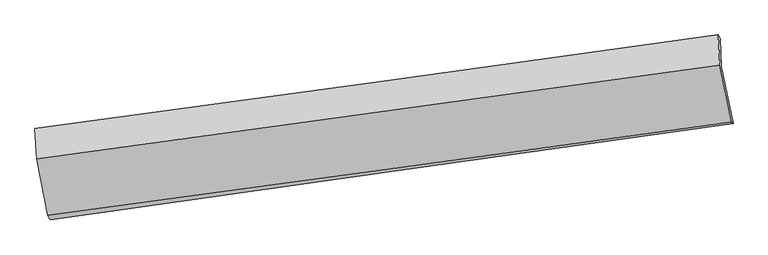
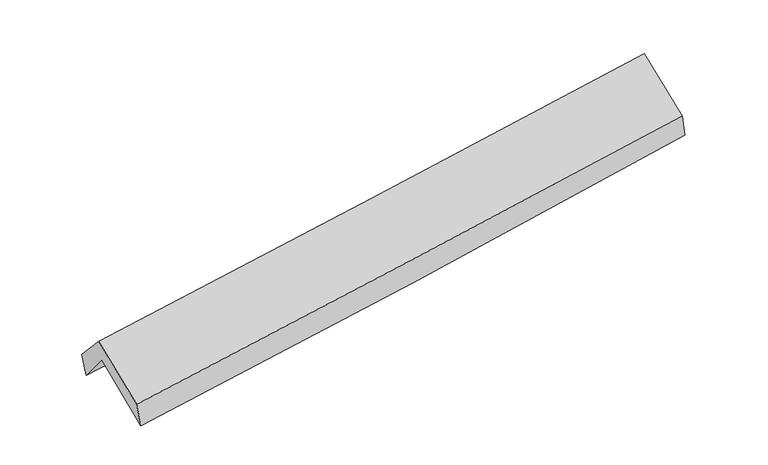
"""IFC4 building model written with IfcOpenShell, lengths in millimetres: proxy geometry."""

from ifc_helpers import new_model, si_unit, frame, origin, place, context, project, spatial, source, transform, mapped, element, save
from ifc_brep_helpers import plane_surface, spline_curve, spline_surface, advanced_brep


def generic_models_8dbf66de(model_context):
    return source(origin(), model_context, "Body", "AdvancedBrep", [
        advanced_brep(
        [(-2902.9699164, -2501.8410536, 1444.9294508), (-3005.1774337, -1994.973722, 1874.5010427), (2946.425243, -1164.2817487, 2376.4144937), (3047.6707544, -1663.1326548, 1945.0206634), (-3015.7772811, -1745.0420034, 1562.3764213), (2937.0400934, -920.6864099, 2059.7492363), (-3036.5457929, -1706.6109163, 1766.3443927), (2918.7038009, -887.9129311, 2241.9210804), (-3022.482123, -1972.4037397, 2061.5313121), (2932.3932179, -1151.7656851, 2538.5290214), (-2924.0210065, -2464.9601237, 1655.4190223), (3030.9494328, -1649.0122414, 2139.6407613)],
        [
            (0, 1),
            (1, 2, spline_curve(3, [(-3005.1774337, -1994.973722, 1874.5010427), (-2011.956273394, -1852.275754209, 1934.208659241), (-1019.404072166, -1711.705861903, 2005.88584376), (964.463623566, -1434.808103201, 2173.18788489), (1955.778980952, -1298.480671, 2268.815183722), (2946.425243, -1164.2817487, 2376.4144937)], [4, 2, 4], [0.0, 9.892296552486982, 19.785602507281695])),
            (2, 3),
            (3, 0, spline_curve(3, [(3047.6707544, -1663.1326548, 1945.0206634), (2057.188733762, -1800.778547688, 1841.488412684), (1066.035667808, -1939.497481222, 1748.046408166), (-917.511359367, -2219.067166169, 1581.351395916), (-1909.905183968, -2359.917699122, 1508.096329582), (-2902.9699164, -2501.8410536, 1444.9294508)], [4, 2, 4], [0.0, 9.893305954794712, 19.785602507281695])),
            (1, 4),
            (4, 5, spline_curve(3, [(-3015.7772811, -1745.0420034, 1562.3764213), (-2022.000420656, -1603.512097767, 1616.879080814), (-1029.069140699, -1464.054244521, 1685.575306467), (955.203490358, -1189.268623738, 1851.363348344), (1946.544668489, -1053.941279404, 1948.458060833), (2937.0400934, -920.6864099, 2059.7492363)], [4, 2, 4], [0.0, 9.892542137501659, 19.78609370237035])),
            (5, 2),
            (4, 6),
            (6, 7, spline_curve(3, [(-3036.5457929, -1706.6109163, 1766.3443927), (-2043.281887877, -1572.556123708, 1841.109091374), (-1050.404434254, -1437.307437168, 1918.120694896), (934.67884227, -1164.408352136, 2076.645798781), (1926.884586748, -1026.757710551, 2158.159757948), (2918.7038009, -887.9129311, 2241.9210804)], [4, 2, 4], [0.0, 9.891773302371107, 19.784555953657904])),
            (7, 5),
            (6, 8),
            (8, 9, spline_curve(3, [(-3022.482123, -1972.4037397, 2061.5313121), (-2029.520509712, -1835.159145988, 2134.5111584), (-1036.825394591, -1698.153821239, 2210.74869632), (948.133107041, -1424.607754258, 2369.747267912), (1940.39643868, -1288.067060736, 2452.508966186), (2932.3932179, -1151.7656851, 2538.5290214)], [4, 2, 4], [0.0, 9.891351354444673, 19.783712014749796])),
            (9, 7),
            (8, 10),
            (10, 11, spline_curve(3, [(-2924.0210065, -2464.9601237, 1655.4190223), (-1931.009621657, -2330.071793106, 1732.001823895), (-938.281695543, -2194.635467615, 1810.64287256), (1046.708509011, -1922.65295205, 1972.049699134), (2038.970728973, -1786.106649989, 2054.815896509), (3030.9494328, -1649.0122414, 2139.6407613)], [4, 2, 4], [0.0, 9.891377190917833, 19.78376369033245])),
            (11, 9),
            (10, 0),
            (3, 11),
        ],
        [
            spline_surface(3, 3, [[(-2902.9699164, -2501.8410536, 1444.9294508), (-1909.905183808, -2359.917699174, 1508.096329694), (-917.511359383, -2219.067166291, 1581.351396059), (1066.035667824, -1939.497481099, 1748.046408023), (2057.188733635, -1800.778547664, 1841.488412556), (3047.6707544, -1663.1326548, 1945.0206634)], [(-2937.039088836, -2332.885276395, 1588.119981436), (-1943.922213633, -2190.703717459, 1650.133772874), (-951.475596912, -2049.946731499, 1722.862878668), (1032.178319704, -1771.267688457, 1889.760233585), (2023.385482761, -1633.345922038, 1983.930669631), (3013.922250589, -1496.84901941, 2088.818606863)], [(-2971.108261264, -2163.929499205, 1731.310512064), (-1977.939243449, -2021.489735759, 1792.171216045), (-985.439834487, -1880.826296715, 1864.374361305), (998.320971538, -1603.037895822, 2031.474059174), (1989.582231921, -1465.913296481, 2126.372926617), (2980.173746811, -1330.56538409, 2232.616550237)], [(-3005.1774337, -1994.973722, 1874.5010427), (-2011.956273273, -1852.275754044, 1934.208659225), (-1019.404072017, -1711.705861923, 2005.885843914), (964.463623417, -1434.80810318, 2173.187884736), (1955.778981048, -1298.480670854, 2268.815183691), (2946.425243, -1164.2817487, 2376.4144937)]], [4, 4], [4, 2, 4], [0.0, 2.193256320471712], [0.0, 9.892296552486982, 19.785602507281695]),
            spline_surface(3, 3, [[(-3005.1774337, -1994.973722, 1874.5010427), (-2011.956273273, -1852.275754044, 1934.208659225), (-1019.404072017, -1711.705861923, 2005.885843914), (964.463623417, -1434.80810318, 2173.187884736), (1955.778981048, -1298.480670854, 2268.815183691), (2946.425243, -1164.2817487, 2376.4144937)], [(-3008.710716171, -1911.663149151, 1770.459502225), (-2015.304322367, -1769.354535312, 1828.432133123), (-1022.625761536, -1629.155322771, 1899.115664832), (961.376912331, -1352.961610031, 2065.913039238), (1952.700876805, -1216.967540316, 2162.029476057), (2943.296859784, -1083.083302425, 2270.859407872)], [(-3012.243998629, -1828.352576249, 1666.417961775), (-2018.65237145, -1686.433316527, 1722.655607045), (-1025.847451018, -1546.604783649, 1792.3454857), (958.290201283, -1271.115116911, 1958.638193691), (1949.622772611, -1135.454409803, 2055.243768505), (2940.168476616, -1001.884856175, 2165.304322128)], [(-3015.7772811, -1745.0420034, 1562.3764213), (-2022.000420544, -1603.512097796, 1616.879080944), (-1029.069140538, -1464.054244497, 1685.575306617), (955.203490197, -1189.268623762, 1851.363348193), (1946.544668368, -1053.941279265, 1948.45806087), (2937.0400934, -920.6864099, 2059.7492363)]], [4, 4], [4, 2, 4], [0.0, 1.3285711009113852], [0.0, 9.892542137501659, 19.78609370237035]),
            spline_surface(3, 3, [[(-3015.7772811, -1745.0420034, 1562.3764213), (-2022.000420544, -1603.512097796, 1616.879080944), (-1029.069140538, -1464.054244497, 1685.575306617), (955.203490197, -1189.268623762, 1851.363348193), (1946.544668368, -1053.941279265, 1948.45806087), (2937.0400934, -920.6864099, 2059.7492363)], [(-3022.70011837, -1732.231641038, 1630.365745107), (-2029.094242988, -1593.193439804, 1691.62241775), (-1036.180905173, -1455.138642001, 1763.090436003), (948.361940927, -1180.98186659, 1926.457498384), (1939.99130789, -1044.880089741, 2018.358626561), (2930.927995929, -909.761916968, 2120.473184343)], [(-3029.62295563, -1719.421278662, 1698.355068893), (-2036.188065421, -1582.874781798, 1766.365754535), (-1043.292669772, -1446.223039529, 1840.605565457), (941.520391693, -1172.695109443, 2001.551648643), (1933.437947325, -1035.818900213, 2088.259192223), (2924.815898371, -898.837424032, 2181.197132357)], [(-3036.5457929, -1706.6109163, 1766.3443927), (-2043.281887865, -1572.556123806, 1841.109091342), (-1050.404434407, -1437.307437033, 1918.120694842), (934.678842423, -1164.408352271, 2076.645798835), (1926.884586846, -1026.757710689, 2158.159757914), (2918.7038009, -887.9129311, 2241.9210804)]], [4, 4], [4, 2, 4], [0.0, 0.7588980000880178], [0.0, 9.891773302371107, 19.784555953657904]),
            spline_surface(3, 3, [[(-3036.5457929, -1706.6109163, 1766.3443927), (-2043.281887865, -1572.556123806, 1841.109091342), (-1050.404434407, -1437.307437033, 1918.120694842), (934.678842423, -1164.408352271, 2076.645798835), (1926.884586846, -1026.757710689, 2158.159757914), (2918.7038009, -887.9129311, 2241.9210804)], [(-3031.857902934, -1795.208524086, 1864.740032491), (-2038.694761833, -1660.090464533, 1938.90978032), (-1045.878087765, -1524.256231793, 2015.663362032), (939.16359725, -1251.141486281, 2174.346288551), (1931.388537408, -1113.860827414, 2256.276160709), (2923.266939901, -975.86384913, 2340.790394062)], [(-3027.170012966, -1883.806131914, 1963.135672309), (-2034.107635798, -1747.624805302, 2036.710469324), (-1041.351741109, -1611.205026494, 2113.20602914), (943.648352091, -1337.874620233, 2272.046778186), (1935.892487966, -1200.96394405, 2354.392563517), (2927.830078899, -1063.81476707, 2439.659707738)], [(-3022.482123, -1972.4037397, 2061.5313121), (-2029.520509766, -1835.159146028, 2134.511158302), (-1036.825394467, -1698.153821254, 2210.748696329), (948.133106917, -1424.607754243, 2369.747267902), (1940.396438528, -1288.067060774, 2452.508966312), (2932.3932179, -1151.7656851, 2538.5290214)]], [4, 4], [4, 2, 4], [0.0, 1.286761249413182], [0.0, 9.891351354444673, 19.783712014749796]),
            spline_surface(3, 3, [[(-3022.482123, -1972.4037397, 2061.5313121), (-2029.520509766, -1835.159146028, 2134.511158302), (-1036.825394467, -1698.153821254, 2210.748696329), (948.133106917, -1424.607754243, 2369.747267902), (1940.396438528, -1288.067060774, 2452.508966312), (2932.3932179, -1151.7656851, 2538.5290214)], [(-2989.661750821, -2136.589201039, 1926.160548845), (-1996.683547077, -2000.130028349, 2000.341380195), (-1003.977494749, -1863.64770337, 2077.380088448), (980.991574267, -1590.622820168, 2237.181411582), (1973.254535326, -1454.080257154, 2319.944609729), (2965.245289511, -1317.514537192, 2405.566268035)], [(-2956.841378679, -2300.774662361, 1790.789785555), (-1963.846584424, -2165.100910652, 1866.171602053), (-971.129595123, -2029.141585509, 1944.0114806), (1013.850041523, -1756.637886115, 2104.615555296), (2006.112632191, -1620.093453558, 2187.380253141), (2998.097361189, -1483.263389308, 2272.603514665)], [(-2924.0210065, -2464.9601237, 1655.4190223), (-1931.009621734, -2330.071792973, 1732.001823945), (-938.281695405, -2194.635467625, 1810.642872719), (1046.708508873, -1922.652952039, 1972.049698975), (2038.970728989, -1786.106649938, 2054.815896558), (3030.9494328, -1649.0122414, 2139.6407613)]], [4, 4], [4, 2, 4], [0.0, 2.1163513926925304], [0.0, 9.891377190917833, 19.78376369033245]),
            spline_surface(3, 3, [[(-2924.0210065, -2464.9601237, 1655.4190223), (-1931.009621734, -2330.071792973, 1732.001823945), (-938.281695405, -2194.635467625, 1810.642872719), (1046.708508873, -1922.652952039, 1972.049698975), (2038.970728989, -1786.106649938, 2054.815896558), (3030.9494328, -1649.0122414, 2139.6407613)], [(-2917.003976468, -2477.253766991, 1585.255831795), (-1923.974809094, -2340.020428364, 1657.366659189), (-931.358250081, -2202.779367189, 1734.212380498), (1053.150895173, -1928.267795068, 1897.381935323), (2045.043397224, -1790.997282522, 1983.706735215), (3036.523206687, -1653.719045875, 2074.767395324)], [(-2909.986946432, -2489.547410309, 1515.092641305), (-1916.939996449, -2349.969063783, 1582.731494449), (-924.434804707, -2210.923266727, 1657.78188828), (1059.593281523, -1933.882638071, 1822.714171675), (2051.116065399, -1795.88791508, 1912.597573899), (3042.096980513, -1658.425850325, 2009.894029376)], [(-2902.9699164, -2501.8410536, 1444.9294508), (-1909.905183808, -2359.917699174, 1508.096329694), (-917.511359383, -2219.067166291, 1581.351396059), (1066.035667824, -1939.497481099, 1748.046408023), (2057.188733635, -1800.778547664, 1841.488412556), (3047.6707544, -1663.1326548, 1945.0206634)]], [4, 4], [4, 2, 4], [0.0, 0.7495608427798496], [0.0, 9.891638114782108, 19.78428556468547]),
            plane_surface(frame((2968.8637571, -1239.4652785, 2216.8792094), z_axis=(0.9879161674810784, 0.13561189454545786, 0.07504038970641055), x_axis=(0.1527903605259355, -0.7708745788593432, -0.618391048931649))),
            plane_surface(frame((-2984.4955923, -2064.3052598, 1727.5169403), z_axis=(-0.9879161674810911, -0.1356118945455585, -0.07504038970606006), x_axis=(-0.09803490765325783, 0.17175445726706215, 0.9802497453661053))),
        ],
        [
            (0, [[1, 2, 3, 4]]),
            (1, [[5, 6, 7, -2]]),
            (2, [[8, 9, 10, -6]]),
            (3, [[11, 12, 13, -9]]),
            (4, [[14, 15, 16, -12]]),
            (5, [[17, -4, 18, -15]]),
            (6, [[-16, -18, -3, -7, -10, -13]]),
            (7, [[-17, -14, -11, -8, -5, -1]]),
        ],
    ),
    ])


if __name__ == "__main__":
    model = new_model("IFC4")
    model_context = context("Model", 3, world=origin())
    ifc_project = project(units=[si_unit("LENGTHUNIT", "METRE", prefix="MILLI")], contexts=[model_context])
    site = spatial("IfcSite", under=ifc_project)
    building = spatial("IfcBuilding", under=site)
    placement = place(None, origin())
    generic_models_shape = generic_models_8dbf66de(model_context)
    element("IfcBuildingElementProxy", 1, Name="Generic Models", at=placement, inside=building, context=model_context, shape_type="MappedRepresentation", body=[
        mapped(generic_models_shape, transform((0.0, 0.0, 0.0), x_axis=(1.0, 0.0, 0.0), y_axis=(0.0, 1.0, 0.0), z_axis=(0.0, 0.0, 1.0))),
    ])
    save(model, "model.ifc")
